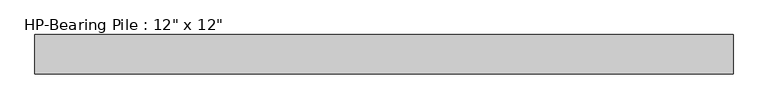
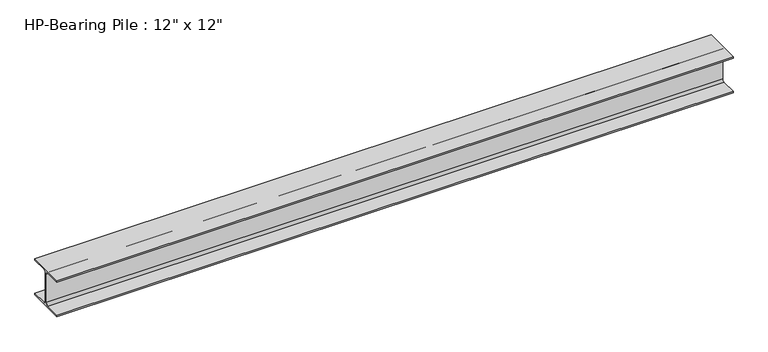
"""IFC4 building model written with IfcOpenShell, lengths in millimetres: beam geometry."""

from ifc_helpers import new_model, si_unit, point, frame, frame_2d, origin, place, context, project, spatial, polyline, circle_curve, trimmed, segment, composite_curve, outline, extrude, source, transform, mapped, element, save


def beam_289a5ab6(model_context):
    return source(origin(), model_context, "Body", "SweptSolid", [
        extrude(outline(composite_curve([segment(polyline([(152.4, -139.7), (152.4, -152.4), (-152.4, -152.4), (-152.4, -139.7), (-25.4, -139.7)]), True, "CONTINUOUS"), segment(trimmed(circle_curve(frame_2d((-25.4, -120.65)), 19.05), [point((-25.4, -139.7))], [point((-6.35, -120.65))], True, "CARTESIAN"), True, "CONTINUOUS"), segment(polyline([(-6.35, -120.65), (-6.35, 120.65)]), True, "CONTINUOUS"), segment(trimmed(circle_curve(frame_2d((-25.4, 120.65)), 19.05), [point((-6.35, 120.65))], [point((-25.4, 139.7))], True, "CARTESIAN"), True, "CONTINUOUS"), segment(polyline([(-25.4, 139.7), (-152.4, 139.7), (-152.4, 152.4), (152.4, 152.4), (152.4, 139.7), (25.4, 139.7)]), True, "CONTINUOUS"), segment(trimmed(circle_curve(frame_2d((25.4, 120.65)), 19.05), [point((25.4, 139.7))], [point((6.35, 120.65))], True, "CARTESIAN"), True, "CONTINUOUS"), segment(polyline([(6.35, 120.65), (6.35, -120.65)]), True, "CONTINUOUS"), segment(trimmed(circle_curve(frame_2d((25.4, -120.65)), 19.05), [point((6.35, -120.65))], [point((25.4, -139.7))], True, "CARTESIAN"), True, "CONTINUOUS"), segment(polyline([(25.4, -139.7), (152.4, -139.7)]), True, "CONTINUOUS")], self_intersect=False)), frame((-2705.8192364, 0.0, 0.0), z_axis=(1.0, 0.0, 0.0), x_axis=(0.0, 1.0, 0.0)), (0.0, 0.0, 1.0), 5411.6384729),
    ])


if __name__ == "__main__":
    model = new_model("IFC4")
    model_context = context("Model", 3, world=origin())
    ifc_project = project(units=[si_unit("LENGTHUNIT", "METRE", prefix="MILLI")], contexts=[model_context])
    site = spatial("IfcSite", under=ifc_project)
    building = spatial("IfcBuilding", under=site)
    placement = place(None, origin())
    beam_shape = beam_289a5ab6(model_context)
    element("IfcBeam", 1, ObjectType="HP-Bearing Pile : 12\" x 12\"", at=placement, inside=building, context=model_context, shape_type="MappedRepresentation", body=[
        mapped(beam_shape, transform((0.0, 0.0, 0.0), x_axis=(1.0, 0.0, 0.0), y_axis=(0.0, 1.0, 0.0), z_axis=(0.0, 0.0, 1.0))),
    ])
    save(model, "model.ifc")
